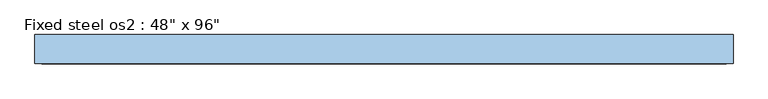
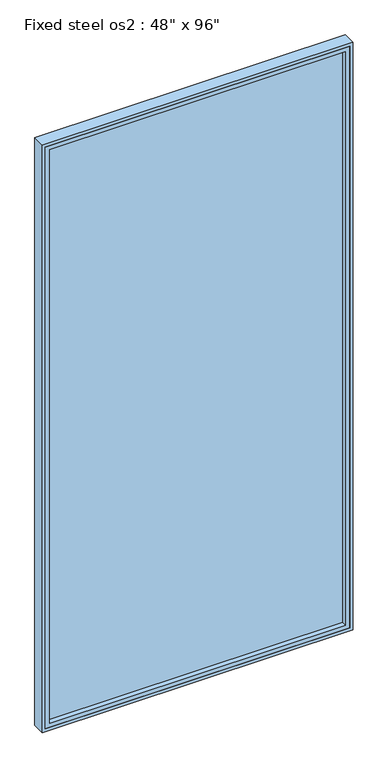
"""IFC4 building model written with IfcOpenShell, lengths in millimetres: window geometry."""

from ifc_helpers import new_model, si_unit, frame, origin, place, context, project, spatial, polyline, outline, extrude, source, transform, mapped, element, save


def window_86d267f2(model_context):
    return source(origin(), model_context, "Body", "SweptSolid", [
        extrude(outline(polyline([(542.528125, -30.95625), (-618.728125, -30.95625), (-618.728125, -18.25625), (542.528125, -18.25625), (542.528125, -30.95625)])), frame((0.0, 0.0, 1248.171875), z_axis=(0.0, 0.0, 1.0), x_axis=(1.0, 0.0, 0.0)), (0.0, 0.0, 1.0), 2380.45625),
        extrude(outline(polyline([(3657.6, 571.5), (3657.6, -647.7), (1219.2, -647.7), (1219.2, 571.5), (3657.6, 571.5)]), holes=[polyline([(1231.10625, 559.59375), (1231.10625, -635.79375), (3645.69375, -635.79375), (3645.69375, 559.59375), (1231.10625, 559.59375)])]), frame((0.0, -50.8, 0.0), z_axis=(0.0, 1.0, 0.0), x_axis=(0.0, 0.0, 1.0)), (0.0, 0.0, 1.0), 50.8),
        extrude(outline(polyline([(3645.69375, -635.79375), (1231.10625, -635.79375), (1231.10625, 559.59375), (3645.69375, 559.59375), (3645.69375, -635.79375)]), holes=[polyline([(3628.628125, -618.728125), (3628.628125, 542.528125), (1248.171875, 542.528125), (1248.171875, -618.728125), (3628.628125, -618.728125)])]), frame((0.0, -50.8, 0.0), z_axis=(0.0, 1.0, 0.0), x_axis=(0.0, 0.0, 1.0)), (0.0, 0.0, 1.0), 50.8),
    ])


if __name__ == "__main__":
    model = new_model("IFC4")
    model_context = context("Model", 3, world=origin())
    ifc_project = project(units=[si_unit("LENGTHUNIT", "METRE", prefix="MILLI")], contexts=[model_context])
    site = spatial("IfcSite", under=ifc_project)
    building = spatial("IfcBuilding", under=site)
    placement = place(None, origin())
    window_shape = window_86d267f2(model_context)
    element("IfcWindow", 1, ObjectType="Fixed steel os2 : 48\" x 96\"", at=placement, inside=building, context=model_context, shape_type="MappedRepresentation", body=[
        mapped(window_shape, transform((0.0, 0.0, 0.0), x_axis=(1.0, 0.0, 0.0), y_axis=(0.0, 1.0, 0.0), z_axis=(0.0, 0.0, 1.0))),
    ])
    save(model, "model.ifc")
